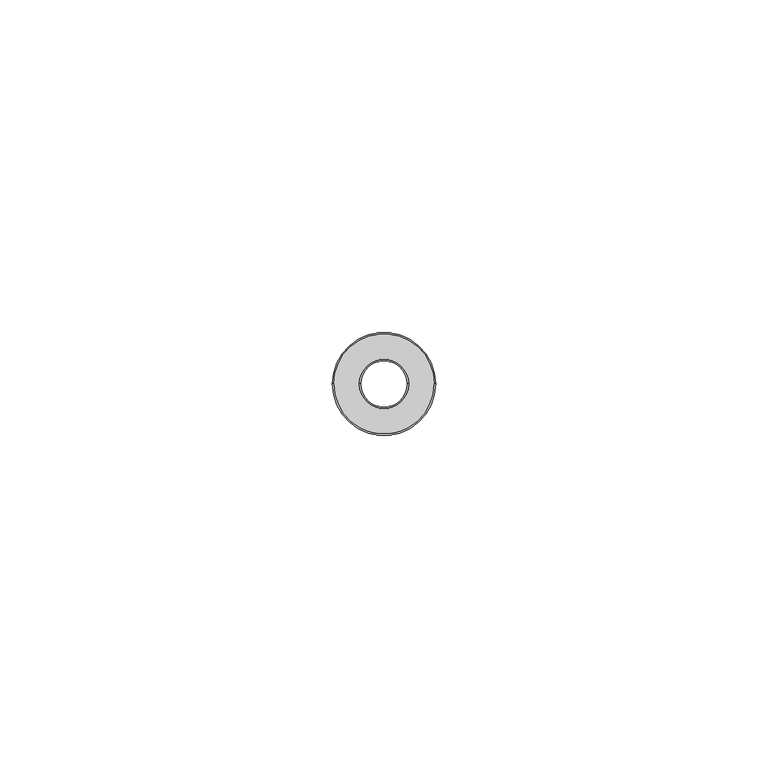
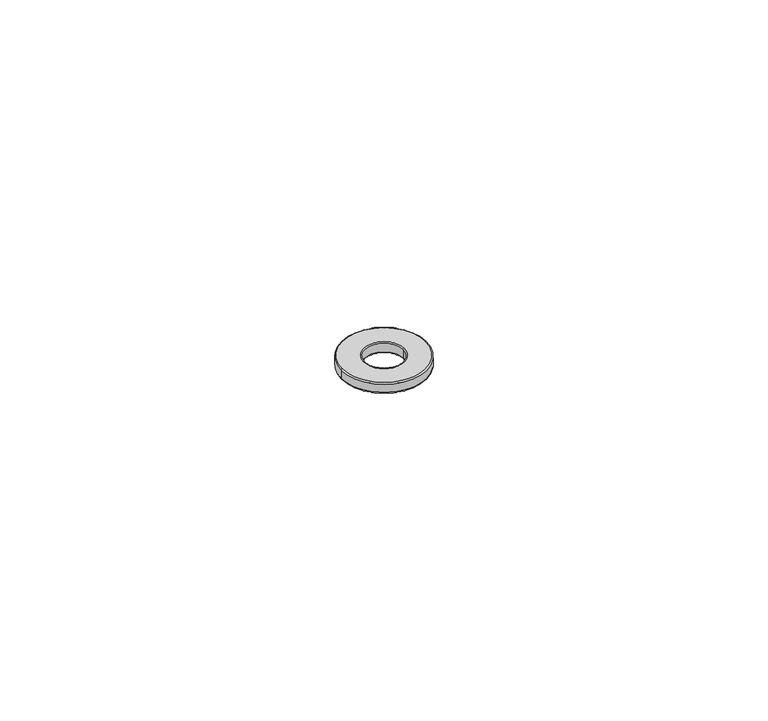
"""IFC4 building model written with IfcOpenShell, lengths in millimetres: proxy geometry."""

from ifc_helpers import new_model, si_unit, point, frame, origin, place, context, project, spatial, polyline, circle_curve, ellipse_curve, trimmed, source, transform, mapped, element, save
from ifc_brep_helpers import plane_surface, cylinder_surface, revolved_surface, advanced_brep


def generic_models_7d9c5e3b(model_context):
    return source(origin(), model_context, "Body", "AdvancedBrep", [
        advanced_brep(
        [(3.5, 0.0, -0.8), (3.7, 0.0, -1.0), (-3.7, 0.0, -1.0), (-3.5, 0.0, -0.8), (7.55, 0.0, -1.0), (7.75, 0.0, -0.8), (-7.75, 0.0, -0.8), (-7.55, 0.0, -1.0), (-7.75, 0.0, 0.8), (7.75, 0.0, 0.8), (-7.55, 0.0, 1.0), (7.55, 0.0, 1.0), (-3.5, 0.0, 0.8), (3.5, 0.0, 0.8), (-3.7, 0.0, 1.0), (3.7, 0.0, 1.0)],
        [
            (0, 1, circle_curve(frame((3.7, 0.0, -0.8), z_axis=(0.0, -1.0, 0.0), x_axis=(1.0, 0.0, 0.0)), 0.2)),
            (1, 2, circle_curve(frame((0.0, 0.0, -1.0), z_axis=(0.0, 0.0, -1.0), x_axis=(-1.0, 0.0, 0.0)), 3.7)),
            (2, 3, circle_curve(frame((-3.7, 0.0, -0.8), z_axis=(0.0, -1.0, 0.0), x_axis=(-1.0, 0.0, 0.0)), 0.2)),
            (3, 0, circle_curve(frame((0.0, 0.0, -0.8), z_axis=(0.0, 0.0, 1.0), x_axis=(-1.0, 0.0, 0.0)), 3.5)),
            (4, 5, circle_curve(frame((7.55, 0.0, -0.8), z_axis=(0.0, -1.0, 0.0), x_axis=(1.0, 0.0, 0.0)), 0.2)),
            (5, 6, circle_curve(frame((0.0, 0.0, -0.8), z_axis=(0.0, 0.0, -1.0), x_axis=(-1.0, 0.0, 0.0)), 7.75)),
            (6, 7, circle_curve(frame((-7.55, 0.0, -0.8), z_axis=(0.0, -1.0, 0.0), x_axis=(-1.0, 0.0, 0.0)), 0.2)),
            (7, 4, circle_curve(frame((0.0, 0.0, -1.0), z_axis=(0.0, 0.0, 1.0), x_axis=(-1.0, 0.0, 0.0)), 7.55)),
            (6, 8),
            (8, 9, circle_curve(frame((0.0, 0.0, 0.8), z_axis=(0.0, 0.0, -1.0), x_axis=(-1.0, 0.0, 0.0)), 7.75)),
            (9, 5),
            (5, 6, circle_curve(frame((0.0, 0.0, -0.8), z_axis=(0.0, 0.0, 1.0), x_axis=(-1.0, 0.0, 0.0)), 7.75)),
            (10, 8, circle_curve(frame((-7.55, 0.0, 0.8), z_axis=(0.0, -1.0, 0.0), x_axis=(-1.0, 0.0, 0.0)), 0.2)),
            (8, 9, circle_curve(frame((0.0, 0.0, 0.8), z_axis=(0.0, 0.0, 1.0), x_axis=(1.0, 0.0, 0.0)), 7.75)),
            (9, 11, circle_curve(frame((7.55, 0.0, 0.8), z_axis=(0.0, -1.0, 0.0), x_axis=(1.0, 0.0, 0.0)), 0.2)),
            (11, 10, circle_curve(frame((0.0, 0.0, 1.0), z_axis=(0.0, 0.0, -1.0), x_axis=(1.0, 0.0, 0.0)), 7.55)),
            (12, 3),
            (3, 0, circle_curve(frame((0.0, 0.0, -0.8), z_axis=(0.0, 0.0, -1.0), x_axis=(-1.0, 0.0, 0.0)), 3.5)),
            (0, 13),
            (13, 12, circle_curve(frame((0.0, 0.0, 0.8), z_axis=(0.0, 0.0, 1.0), x_axis=(-1.0, 0.0, 0.0)), 3.5)),
            (12, 14, circle_curve(frame((-3.7, 0.0, 0.8), z_axis=(0.0, -1.0, 0.0), x_axis=(-1.0, 0.0, 0.0)), 0.2)),
            (14, 15, circle_curve(frame((0.0, 0.0, 1.0), z_axis=(0.0, 0.0, 1.0), x_axis=(1.0, 0.0, 0.0)), 3.7)),
            (15, 13, circle_curve(frame((3.7, 0.0, 0.8), z_axis=(0.0, -1.0, 0.0), x_axis=(1.0, 0.0, 0.0)), 0.2)),
            (13, 12, circle_curve(frame((0.0, 0.0, 0.8), z_axis=(0.0, 0.0, -1.0), x_axis=(1.0, 0.0, 0.0)), 3.5)),
            (15, 14, circle_curve(frame((0.0, 0.0, 1.0), z_axis=(0.0, 0.0, 1.0), x_axis=(-1.0, 0.0, 0.0)), 3.7)),
            (11, 10, circle_curve(frame((0.0, 0.0, 1.0), z_axis=(0.0, 0.0, 1.0), x_axis=(-1.0, 0.0, 0.0)), 7.55)),
            (4, 7, circle_curve(frame((0.0, 0.0, -1.0), z_axis=(0.0, 0.0, 1.0), x_axis=(1.0, 0.0, 0.0)), 7.55)),
            (1, 2, circle_curve(frame((0.0, 0.0, -1.0), z_axis=(0.0, 0.0, 1.0), x_axis=(1.0, 0.0, 0.0)), 3.7)),
        ],
        [
            revolved_surface(trimmed(ellipse_curve(frame((-3.7, 0.0, -0.8), z_axis=(0.0, 1.0, 0.0), x_axis=(-1.0, 0.0, 0.0)), 0.2, 0.2), [point((-3.5, 0.0, -0.8))], [point((-3.7, 0.0, -1.0))], True, "CARTESIAN"), (0.0, 0.0, -0.8), (0.0, 0.0, 1.0)),
            revolved_surface(trimmed(ellipse_curve(frame((-7.55, 0.0, -0.8), z_axis=(0.0, 1.0, 0.0), x_axis=(-1.0, 0.0, 0.0)), 0.2, 0.2), [point((-7.55, 0.0, -1.0))], [point((-7.75, 0.0, -0.8))], True, "CARTESIAN"), (0.0, 0.0, -0.8), (0.0, 0.0, 1.0)),
            cylinder_surface(frame((0.0, 0.0, 0.0), z_axis=(0.0, 0.0, 1.0), x_axis=(-1.0, 0.0, 0.0)), 7.75),
            revolved_surface(trimmed(ellipse_curve(frame((7.55, 0.0, 0.8), z_axis=(0.0, 1.0, 0.0), x_axis=(1.0, 0.0, 0.0)), 0.2, 0.2), [point((7.55, 0.0, 1.0))], [point((7.75, 0.0, 0.8))], True, "CARTESIAN"), (0.0, 0.0, 0.8), (0.0, 0.0, -1.0)),
            revolved_surface(polyline([(-3.5, 0.0, 0.8), (-3.5, 0.0, -0.8)]), (0.0, 0.0, 0.0), (0.0, 0.0, 1.0)),
            revolved_surface(trimmed(ellipse_curve(frame((3.7, 0.0, 0.8), z_axis=(0.0, 1.0, 0.0), x_axis=(1.0, 0.0, 0.0)), 0.2, 0.2), [point((3.5, 0.0, 0.8))], [point((3.7, 0.0, 1.0))], True, "CARTESIAN"), (0.0, 0.0, 0.8), (0.0, 0.0, -1.0)),
            revolved_surface(trimmed(ellipse_curve(frame((-3.7, 0.0, 0.8), z_axis=(0.0, -1.0, 0.0), x_axis=(-1.0, 0.0, 0.0)), 0.2, 0.2), [point((-3.5, 0.0, 0.8))], [point((-3.7, 0.0, 1.0))], True, "CARTESIAN"), (0.0, 0.0, 0.8), (0.0, 0.0, -1.0)),
            plane_surface(frame((0.0, 0.0, 1.0), z_axis=(0.0, 0.0, 1.0), x_axis=(-1.0, 0.0, 0.0))),
            revolved_surface(trimmed(ellipse_curve(frame((-7.55, 0.0, 0.8), z_axis=(0.0, -1.0, 0.0), x_axis=(-1.0, 0.0, 0.0)), 0.2, 0.2), [point((-7.55, 0.0, 1.0))], [point((-7.75, 0.0, 0.8))], True, "CARTESIAN"), (0.0, 0.0, 0.8), (0.0, 0.0, -1.0)),
            revolved_surface(trimmed(ellipse_curve(frame((7.55, 0.0, -0.8), z_axis=(0.0, -1.0, 0.0), x_axis=(1.0, 0.0, 0.0)), 0.2, 0.2), [point((7.55, 0.0, -1.0))], [point((7.75, 0.0, -0.8))], True, "CARTESIAN"), (0.0, 0.0, -0.8), (0.0, 0.0, 1.0)),
            plane_surface(frame((0.0, 0.0, -1.0), z_axis=(0.0, 0.0, -1.0), x_axis=(-1.0, 0.0, 0.0))),
            revolved_surface(trimmed(ellipse_curve(frame((3.7, 0.0, -0.8), z_axis=(0.0, -1.0, 0.0), x_axis=(1.0, 0.0, 0.0)), 0.2, 0.2), [point((3.5, 0.0, -0.8))], [point((3.7, 0.0, -1.0))], True, "CARTESIAN"), (0.0, 0.0, -0.8), (0.0, 0.0, 1.0)),
        ],
        [
            (0, [[1, 2, 3, 4]]),
            (1, [[5, 6, 7, 8]]),
            (2, [[9, 10, 11, 12]]),
            (3, [[13, 14, 15, 16]]),
            (4, [[17, 18, 19, 20]]),
            (5, [[21, 22, 23, 24]]),
            (6, [[-21, -20, -23, 25]]),
            (7, [[-16, 26], [-25, -22]]),
            (4, [[-17, -24, -19, -4]]),
            (8, [[-13, -26, -15, -10]]),
            (2, [[-9, -6, -11, -14]]),
            (9, [[-5, 27, -7, -12]]),
            (10, [[-27, -8], [-2, 28]]),
            (11, [[-1, -18, -3, -28]]),
        ],
    ),
    ])


if __name__ == "__main__":
    model = new_model("IFC4")
    model_context = context("Model", 3, world=origin())
    ifc_project = project(units=[si_unit("LENGTHUNIT", "METRE", prefix="MILLI")], contexts=[model_context])
    site = spatial("IfcSite", under=ifc_project)
    building = spatial("IfcBuilding", under=site)
    placement = place(None, origin())
    generic_models_shape = generic_models_7d9c5e3b(model_context)
    element("IfcBuildingElementProxy", 1, Name="Generic Models", at=placement, inside=building, context=model_context, shape_type="MappedRepresentation", body=[
        mapped(generic_models_shape, transform((0.0, 0.0, 0.0), x_axis=(1.0, 0.0, 0.0), y_axis=(0.0, 1.0, 0.0), z_axis=(0.0, 0.0, 1.0))),
    ])
    save(model, "model.ifc")
